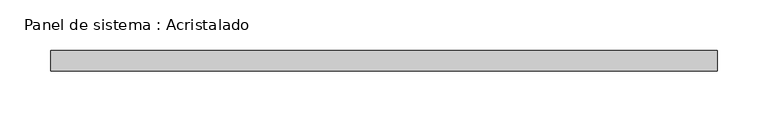
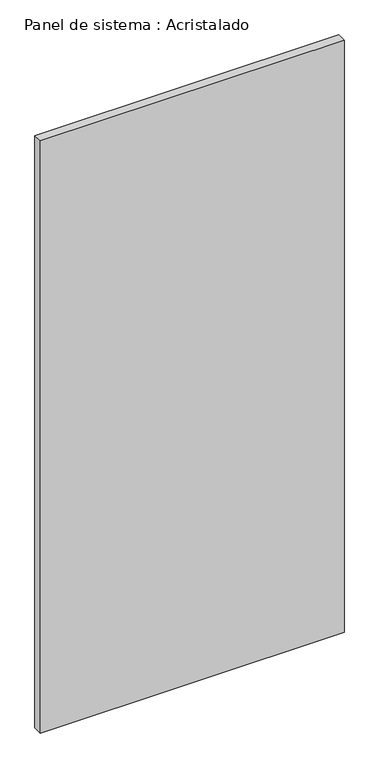
"""IFC4 building model written with IfcOpenShell, lengths in millimetres: plate geometry, Panel de sistema : Acristalado."""

from ifc_helpers import new_model, si_unit, origin, origin_with_axes, place, context, project, spatial, polyline, outline, extrude, source, transform, mapped, element, save


def panel_de_sistema_acristalado_24069472(model_context):
    return source(origin(), model_context, "Body", "SweptSolid", [
        extrude(outline(polyline([(327.5, -10.0), (-327.5, -10.0), (-327.5, 10.0), (327.5, 10.0), (327.5, -10.0)])), origin_with_axes(), (0.0, 0.0, 1.0), 1350.0),
    ])


if __name__ == "__main__":
    model = new_model("IFC4")
    model_context = context("Model", 3, world=origin())
    ifc_project = project(units=[si_unit("LENGTHUNIT", "METRE", prefix="MILLI")], contexts=[model_context])
    site = spatial("IfcSite", under=ifc_project)
    building = spatial("IfcBuilding", under=site)
    placement = place(None, origin())
    panel_de_sistema_acristalado_shape = panel_de_sistema_acristalado_24069472(model_context)
    element("IfcPlate", 1, ObjectType="Panel de sistema : Acristalado", at=placement, inside=building, context=model_context, shape_type="MappedRepresentation", body=[
        mapped(panel_de_sistema_acristalado_shape, transform((0.0, 0.0, 0.0), x_axis=(1.0, 0.0, 0.0), y_axis=(0.0, 1.0, 0.0), z_axis=(0.0, 0.0, 1.0))),
    ])
    save(model, "model.ifc")
